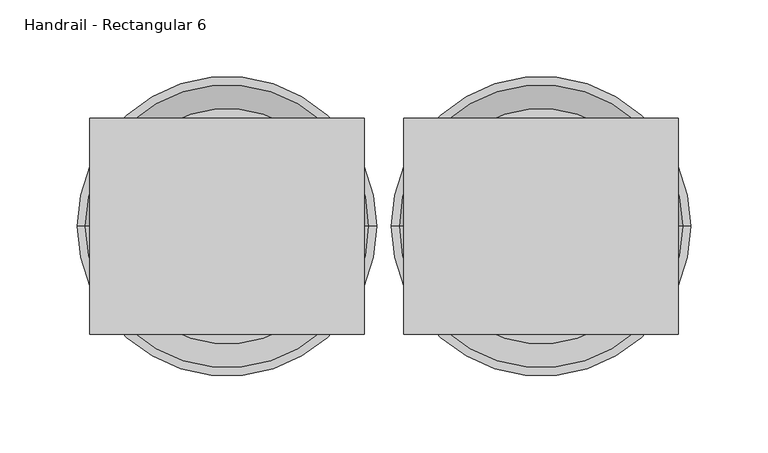
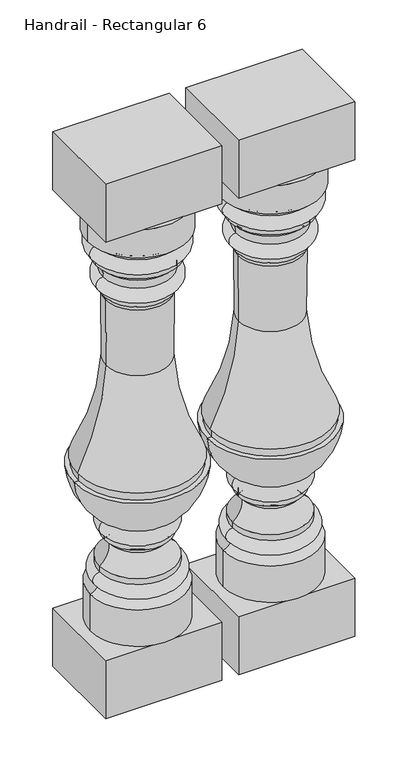
"""IFC4 building model written with IfcOpenShell, lengths in millimetres: railing geometry, Handrail - Rectangular 6."""

from ifc_helpers import new_model, si_unit, point, frame, origin, place, context, project, spatial, polyline, circle_curve, ellipse_curve, trimmed, outline, extrude, source, transform, mapped, element, save
from ifc_brep_helpers import plane_surface, cylinder_surface, revolved_surface, advanced_brep


def handrail_rectangular_6_f232c432(model_context):
    return source(origin(), model_context, "Body", "SolidModel", [
        advanced_brep(
        [(14629.7566037, 2142.9239298, 881.0625), (14782.1566037, 2142.9239298, 881.0625), (14705.9566037, 2142.9239298, 881.0625), (14629.7566037, 2142.9239298, 835.3414358), (14782.1566037, 2142.9239298, 835.3414358), (14641.8856401, 2142.9239298, 824.1251909), (14770.0275673, 2142.9239298, 824.1251909), (14642.1308811, 2142.9239298, 801.0872354), (14769.7823263, 2142.9239298, 801.0872354), (14642.1308811, 2142.9239298, 792.9994382), (14769.7823263, 2142.9239298, 792.9994382), (14650.9594002, 2142.9239298, 784.421477), (14760.9538072, 2142.9239298, 784.421477), (14653.2956778, 2142.9239298, 770.116552), (14758.6175297, 2142.9239298, 770.116552), (14653.2956778, 2142.9239298, 748.0589375), (14758.6175297, 2142.9239298, 748.0589375), (14653.2956778, 2142.9239298, 739.775), (14758.6175297, 2142.9239298, 739.775), (14657.167985, 2142.9239298, 732.0548389), (14754.7452225, 2142.9239298, 732.0548389), (14657.9774609, 2142.9239298, 625.8760562), (14753.9357466, 2142.9239298, 625.8760562), (14614.4181635, 2142.9239298, 465.93125), (14797.495044, 2142.9239298, 465.93125), (14616.520044, 2142.9239298, 465.93125), (14795.3931635, 2142.9239298, 465.93125), (14616.520044, 2142.9239298, 453.23125), (14795.3931635, 2142.9239298, 453.23125), (14609.1191037, 2142.9239298, 453.23125), (14802.7941037, 2142.9239298, 453.23125), (14655.0451606, 2142.9239298, 375.8648455), (14756.8680469, 2142.9239298, 375.8648455), (14655.1865209, 2142.9239298, 352.5012686), (14756.7266866, 2142.9239298, 352.5012686), (14655.1865209, 2142.9239298, 345.021636), (14756.7266866, 2142.9239298, 345.021636), (14663.138561, 2142.9239298, 336.1395712), (14748.7746464, 2142.9239298, 336.1395712), (14648.1700276, 2142.9239298, 304.3511281), (14763.7431798, 2142.9239298, 304.3511281), (14648.1700276, 2142.9239298, 295.0015923), (14763.7431798, 2142.9239298, 295.0015923), (14645.8311821, 2142.9239298, 273.4976463), (14766.0820254, 2142.9239298, 273.4976463), (14633.7463208, 2142.9239298, 263.7041906), (14778.1668867, 2142.9239298, 263.7041906), (14633.7463208, 2142.9239298, 204.7875), (14778.1668867, 2142.9239298, 204.7875), (14705.9566037, 2142.9239298, 204.7875)],
        [
            (0, 1, circle_curve(frame((14705.9566037, 2142.9239298, 881.0625), z_axis=(0.0, 0.0, 1.0), x_axis=(1.0, 0.0, 0.0)), 76.2)),
            (1, 2),
            (2, 0),
            (1, 0, circle_curve(frame((14705.9566037, 2142.9239298, 881.0625), z_axis=(0.0, 0.0, 1.0), x_axis=(1.0, 0.0, 0.0)), 76.2)),
            (3, 4, circle_curve(frame((14705.9566037, 2142.9239298, 835.3414358), z_axis=(0.0, 0.0, 1.0), x_axis=(1.0, 0.0, 0.0)), 76.2)),
            (4, 1),
            (0, 3),
            (4, 3, circle_curve(frame((14705.9566037, 2142.9239298, 835.3414358), z_axis=(0.0, 0.0, 1.0), x_axis=(1.0, 0.0, 0.0)), 76.2)),
            (5, 6, circle_curve(frame((14705.9566037, 2142.9239298, 824.1251909), z_axis=(0.0, 0.0, 1.0), x_axis=(1.0, 0.0, 0.0)), 64.0709636)),
            (6, 4, circle_curve(frame((14782.1701178, 2142.9239298, 823.1606434), z_axis=(0.0, 1.0, 0.0), x_axis=(-1.0, 0.0, 0.0)), 12.1807998)),
            (3, 5, circle_curve(frame((14629.7430896, 2142.9239298, 823.1606434), z_axis=(0.0, 1.0, 0.0), x_axis=(1.0, 0.0, 0.0)), 12.1807998)),
            (6, 5, circle_curve(frame((14705.9566037, 2142.9239298, 824.1251909), z_axis=(0.0, 0.0, 1.0), x_axis=(1.0, 0.0, 0.0)), 64.0709636)),
            (7, 8, circle_curve(frame((14705.9566037, 2142.9239298, 801.0872354), z_axis=(0.0, 0.0, 1.0), x_axis=(1.0, 0.0, 0.0)), 63.8257226)),
            (8, 6, circle_curve(frame((14767.616234, 2142.9239298, 812.6305767), z_axis=(0.0, -1.0, 0.0), x_axis=(-1.0, 0.0, 0.0)), 11.7448152)),
            (5, 7, circle_curve(frame((14644.2969735, 2142.9239298, 812.6305767), z_axis=(0.0, -1.0, 0.0), x_axis=(1.0, 0.0, 0.0)), 11.7448152)),
            (8, 7, circle_curve(frame((14705.9566037, 2142.9239298, 801.0872354), z_axis=(0.0, 0.0, 1.0), x_axis=(1.0, 0.0, 0.0)), 63.8257226)),
            (9, 10, circle_curve(frame((14705.9566037, 2142.9239298, 792.9994382), z_axis=(0.0, 0.0, 1.0), x_axis=(1.0, 0.0, 0.0)), 63.8257226)),
            (10, 8),
            (7, 9),
            (10, 9, circle_curve(frame((14705.9566037, 2142.9239298, 792.9994382), z_axis=(0.0, 0.0, 1.0), x_axis=(1.0, 0.0, 0.0)), 63.8257226)),
            (11, 12, circle_curve(frame((14705.9566037, 2142.9239298, 784.421477), z_axis=(0.0, 0.0, 1.0), x_axis=(1.0, 0.0, 0.0)), 54.9972035)),
            (12, 10, circle_curve(frame((14774.1843357, 2142.9239298, 779.6366699), z_axis=(0.0, 1.0, 0.0), x_axis=(-1.0, 0.0, 0.0)), 14.06916)),
            (9, 11, circle_curve(frame((14637.7288718, 2142.9239298, 779.6366699), z_axis=(0.0, 1.0, 0.0), x_axis=(1.0, 0.0, 0.0)), 14.06916)),
            (12, 11, circle_curve(frame((14705.9566037, 2142.9239298, 784.421477), z_axis=(0.0, 0.0, 1.0), x_axis=(1.0, 0.0, 0.0)), 54.9972035)),
            (13, 14, circle_curve(frame((14705.9566037, 2142.9239298, 770.116552), z_axis=(0.0, 0.0, 1.0), x_axis=(1.0, 0.0, 0.0)), 52.660926)),
            (14, 12, circle_curve(frame((14787.5766622, 2142.9239298, 772.7301948), z_axis=(0.0, 1.0, 0.0), x_axis=(-1.0, 0.0, 0.0)), 29.0768376)),
            (11, 13, circle_curve(frame((14624.3365453, 2142.9239298, 772.7301948), z_axis=(0.0, 1.0, 0.0), x_axis=(1.0, 0.0, 0.0)), 29.0768376)),
            (14, 13, circle_curve(frame((14705.9566037, 2142.9239298, 770.116552), z_axis=(0.0, 0.0, 1.0), x_axis=(1.0, 0.0, 0.0)), 52.660926)),
            (15, 16, circle_curve(frame((14705.9566037, 2142.9239298, 748.0589375), z_axis=(0.0, 0.0, 1.0), x_axis=(1.0, 0.0, 0.0)), 52.660926)),
            (16, 14, circle_curve(frame((14758.1632965, 2142.9239298, 759.0877448), z_axis=(0.0, -1.0, 0.0), x_axis=(-1.0, 0.0, 0.0)), 11.0381573)),
            (13, 15, circle_curve(frame((14653.7499109, 2142.9239298, 759.0877448), z_axis=(0.0, -1.0, 0.0), x_axis=(1.0, 0.0, 0.0)), 11.0381573)),
            (16, 15, circle_curve(frame((14705.9566037, 2142.9239298, 748.0589375), z_axis=(0.0, 0.0, 1.0), x_axis=(1.0, 0.0, 0.0)), 52.660926)),
            (17, 18, circle_curve(frame((14705.9566037, 2142.9239298, 739.775), z_axis=(0.0, 0.0, 1.0), x_axis=(1.0, 0.0, 0.0)), 52.660926)),
            (18, 16),
            (15, 17),
            (18, 17, circle_curve(frame((14705.9566037, 2142.9239298, 739.775), z_axis=(0.0, 0.0, 1.0), x_axis=(1.0, 0.0, 0.0)), 52.660926)),
            (19, 20, circle_curve(frame((14705.9566037, 2142.9239298, 732.0548389), z_axis=(0.0, 0.0, 1.0), x_axis=(1.0, 0.0, 0.0)), 48.7886187)),
            (20, 18, circle_curve(frame((14765.9841732, 2142.9239298, 731.2487877), z_axis=(0.0, 1.0, 0.0), x_axis=(-1.0, 0.0, 0.0)), 11.2678184)),
            (17, 19, circle_curve(frame((14645.9290342, 2142.9239298, 731.2487877), z_axis=(0.0, 1.0, 0.0), x_axis=(1.0, 0.0, 0.0)), 11.2678184)),
            (20, 19, circle_curve(frame((14705.9566037, 2142.9239298, 732.0548389), z_axis=(0.0, 0.0, 1.0), x_axis=(1.0, 0.0, 0.0)), 48.7886187)),
            (21, 22, circle_curve(frame((14705.9566037, 2142.9239298, 625.8760562), z_axis=(0.0, 0.0, 1.0), x_axis=(1.0, 0.0, 0.0)), 47.9791428)),
            (22, 20, circle_curve(frame((15583.0762916, 2142.9239298, 672.6474087), z_axis=(0.0, 1.0, 0.0), x_axis=(-1.0, 0.0, 0.0)), 830.4586702)),
            (19, 21, circle_curve(frame((13828.8369158, 2142.9239298, 672.6474087), z_axis=(0.0, 1.0, 0.0), x_axis=(1.0, 0.0, 0.0)), 830.4586702)),
            (22, 21, circle_curve(frame((14705.9566037, 2142.9239298, 625.8760562), z_axis=(0.0, 0.0, 1.0), x_axis=(1.0, 0.0, 0.0)), 47.9791428)),
            (23, 24, circle_curve(frame((14705.9566037, 2142.9239298, 465.93125), z_axis=(0.0, 0.0, 1.0), x_axis=(1.0, 0.0, 0.0)), 91.5384403)),
            (24, 22, circle_curve(frame((15151.7675269, 2142.9239298, 648.3175235), z_axis=(0.0, 1.0, 0.0), x_axis=(-1.0, 0.0, 0.0)), 398.4642329)),
            (21, 23, circle_curve(frame((14260.1456805, 2142.9239298, 648.3175235), z_axis=(0.0, 1.0, 0.0), x_axis=(1.0, 0.0, 0.0)), 398.4642329)),
            (24, 23, circle_curve(frame((14705.9566037, 2142.9239298, 465.93125), z_axis=(0.0, 0.0, 1.0), x_axis=(1.0, 0.0, 0.0)), 91.5384403)),
            (25, 26, circle_curve(frame((14705.9566037, 2142.9239298, 465.93125), z_axis=(0.0, 0.0, 1.0), x_axis=(1.0, 0.0, 0.0)), 89.4365597)),
            (26, 24),
            (23, 25),
            (26, 25, circle_curve(frame((14705.9566037, 2142.9239298, 465.93125), z_axis=(0.0, 0.0, 1.0), x_axis=(1.0, 0.0, 0.0)), 89.4365597)),
            (27, 28, circle_curve(frame((14705.9566037, 2142.9239298, 453.23125), z_axis=(0.0, 0.0, 1.0), x_axis=(1.0, 0.0, 0.0)), 89.4365597)),
            (28, 26),
            (25, 27),
            (28, 27, circle_curve(frame((14705.9566037, 2142.9239298, 453.23125), z_axis=(0.0, 0.0, 1.0), x_axis=(1.0, 0.0, 0.0)), 89.4365597)),
            (29, 30, circle_curve(frame((14705.9566037, 2142.9239298, 453.23125), z_axis=(0.0, 0.0, 1.0), x_axis=(1.0, 0.0, 0.0)), 96.8375)),
            (30, 28),
            (27, 29),
            (30, 29, circle_curve(frame((14705.9566037, 2142.9239298, 453.23125), z_axis=(0.0, 0.0, 1.0), x_axis=(1.0, 0.0, 0.0)), 96.8375)),
            (31, 32, circle_curve(frame((14705.9566037, 2142.9239298, 375.8648455), z_axis=(0.0, 0.0, 1.0), x_axis=(1.0, 0.0, 0.0)), 50.9114432)),
            (32, 30, circle_curve(frame((14698.3149183, 2142.9239298, 462.9374706), z_axis=(0.0, -1.0, 0.0), x_axis=(-1.0, 0.0, 0.0)), 104.9290756)),
            (29, 31, circle_curve(frame((14713.5982891, 2142.9239298, 462.9374706), z_axis=(0.0, -1.0, 0.0), x_axis=(1.0, 0.0, 0.0)), 104.9290756)),
            (32, 31, circle_curve(frame((14705.9566037, 2142.9239298, 375.8648455), z_axis=(0.0, 0.0, 1.0), x_axis=(1.0, 0.0, 0.0)), 50.9114432)),
            (33, 34, circle_curve(frame((14705.9566037, 2142.9239298, 352.5012686), z_axis=(0.0, 0.0, 1.0), x_axis=(1.0, 0.0, 0.0)), 50.7700828)),
            (34, 32, circle_curve(frame((14751.4946929, 2142.9239298, 364.2151406), z_axis=(0.0, -1.0, 0.0), x_axis=(-1.0, 0.0, 0.0)), 12.8292072)),
            (31, 33, circle_curve(frame((14660.4185146, 2142.9239298, 364.2151406), z_axis=(0.0, -1.0, 0.0), x_axis=(1.0, 0.0, 0.0)), 12.8292072)),
            (34, 33, circle_curve(frame((14705.9566037, 2142.9239298, 352.5012686), z_axis=(0.0, 0.0, 1.0), x_axis=(1.0, 0.0, 0.0)), 50.7700828)),
            (35, 36, circle_curve(frame((14705.9566037, 2142.9239298, 345.021636), z_axis=(0.0, 0.0, 1.0), x_axis=(1.0, 0.0, 0.0)), 50.7700828)),
            (36, 34),
            (33, 35),
            (36, 35, circle_curve(frame((14705.9566037, 2142.9239298, 345.021636), z_axis=(0.0, 0.0, 1.0), x_axis=(1.0, 0.0, 0.0)), 50.7700828)),
            (37, 38, circle_curve(frame((14705.9566037, 2142.9239298, 336.1395712), z_axis=(0.0, 0.0, 1.0), x_axis=(1.0, 0.0, 0.0)), 42.8180427)),
            (38, 36, circle_curve(frame((14758.6720246, 2142.9239298, 335.27926), z_axis=(0.0, 1.0, 0.0), x_axis=(-1.0, 0.0, 0.0)), 9.9346983)),
            (35, 37, circle_curve(frame((14653.2411828, 2142.9239298, 335.27926), z_axis=(0.0, 1.0, 0.0), x_axis=(1.0, 0.0, 0.0)), 9.9346983)),
            (38, 37, circle_curve(frame((14705.9566037, 2142.9239298, 336.1395712), z_axis=(0.0, 0.0, 1.0), x_axis=(1.0, 0.0, 0.0)), 42.8180427)),
            (39, 40, circle_curve(frame((14705.9566037, 2142.9239298, 304.3511281), z_axis=(0.0, 0.0, 1.0), x_axis=(1.0, 0.0, 0.0)), 57.7865761)),
            (40, 38, circle_curve(frame((14783.5869651, 2142.9239298, 333.1135753), z_axis=(0.0, 1.0, 0.0), x_axis=(-1.0, 0.0, 0.0)), 34.9435857)),
            (37, 39, circle_curve(frame((14628.3262423, 2142.9239298, 333.1135753), z_axis=(0.0, 1.0, 0.0), x_axis=(1.0, 0.0, 0.0)), 34.9435857)),
            (40, 39, circle_curve(frame((14705.9566037, 2142.9239298, 304.3511281), z_axis=(0.0, 0.0, 1.0), x_axis=(1.0, 0.0, 0.0)), 57.7865761)),
            (41, 42, circle_curve(frame((14705.9566037, 2142.9239298, 295.0015923), z_axis=(0.0, 0.0, 1.0), x_axis=(1.0, 0.0, 0.0)), 57.7865761)),
            (42, 40),
            (39, 41),
            (42, 41, circle_curve(frame((14705.9566037, 2142.9239298, 295.0015923), z_axis=(0.0, 0.0, 1.0), x_axis=(1.0, 0.0, 0.0)), 57.7865761)),
            (43, 44, circle_curve(frame((14705.9566037, 2142.9239298, 273.4976463), z_axis=(0.0, 0.0, 1.0), x_axis=(1.0, 0.0, 0.0)), 60.1254216)),
            (44, 42, circle_curve(frame((14763.1291969, 2142.9239298, 284.0556497), z_axis=(0.0, -1.0, 0.0), x_axis=(-1.0, 0.0, 0.0)), 10.9631488)),
            (41, 43, circle_curve(frame((14648.7840105, 2142.9239298, 284.0556497), z_axis=(0.0, -1.0, 0.0), x_axis=(1.0, 0.0, 0.0)), 10.9631488)),
            (44, 43, circle_curve(frame((14705.9566037, 2142.9239298, 273.4976463), z_axis=(0.0, 0.0, 1.0), x_axis=(1.0, 0.0, 0.0)), 60.1254216)),
            (45, 46, circle_curve(frame((14705.9566037, 2142.9239298, 263.7041906), z_axis=(0.0, 0.0, 1.0), x_axis=(1.0, 0.0, 0.0)), 72.210283)),
            (46, 44, circle_curve(frame((14784.2977895, 2142.9239298, 283.622485), z_axis=(0.0, 1.0, 0.0), x_axis=(-1.0, 0.0, 0.0)), 20.8404996)),
            (43, 45, circle_curve(frame((14627.6154179, 2142.9239298, 283.622485), z_axis=(0.0, 1.0, 0.0), x_axis=(1.0, 0.0, 0.0)), 20.8404996)),
            (46, 45, circle_curve(frame((14705.9566037, 2142.9239298, 263.7041906), z_axis=(0.0, 0.0, 1.0), x_axis=(1.0, 0.0, 0.0)), 72.210283)),
            (47, 48, circle_curve(frame((14705.9566037, 2142.9239298, 204.7875), z_axis=(0.0, 0.0, 1.0), x_axis=(1.0, 0.0, 0.0)), 72.210283)),
            (48, 46),
            (45, 47),
            (48, 47, circle_curve(frame((14705.9566037, 2142.9239298, 204.7875), z_axis=(0.0, 0.0, 1.0), x_axis=(1.0, 0.0, 0.0)), 72.210283)),
            (49, 48),
            (47, 49),
        ],
        [
            plane_surface(frame((14705.9566037, 2142.9239298, 881.0625), z_axis=(0.0, 0.0, 1.0), x_axis=(1.0, 0.0, 0.0))),
            cylinder_surface(frame((14705.9566037, 2142.9239298, 833.4375), z_axis=(0.0, 0.0, -1.0), x_axis=(1.0, 0.0, 0.0)), 76.2),
            revolved_surface(trimmed(ellipse_curve(frame((14782.1701178, 2142.9239298, 823.1606434), z_axis=(0.0, -1.0, 0.0), x_axis=(-1.0, 0.0, 0.0)), 12.1807998, 12.1807998), [point((14782.1566037, 2142.9239298, 835.3414358))], [point((14770.0275673, 2142.9239298, 824.1251909))], True, "CARTESIAN"), (14705.9566037, 2142.9239298, 833.4375), (0.0, 0.0, -1.0)),
            revolved_surface(trimmed(ellipse_curve(frame((14767.616234, 2142.9239298, 812.6305767), z_axis=(0.0, 1.0, 0.0), x_axis=(-1.0, 0.0, 0.0)), 11.7448152, 11.7448152), [point((14770.0275673, 2142.9239298, 824.1251909))], [point((14769.7823263, 2142.9239298, 801.0872354))], True, "CARTESIAN"), (14705.9566037, 2142.9239298, 833.4375), (0.0, 0.0, -1.0)),
            cylinder_surface(frame((14705.9566037, 2142.9239298, 833.4375), z_axis=(0.0, 0.0, -1.0), x_axis=(1.0, 0.0, 0.0)), 63.8257226),
            revolved_surface(trimmed(ellipse_curve(frame((14774.1843357, 2142.9239298, 779.6366699), z_axis=(0.0, -1.0, 0.0), x_axis=(-1.0, 0.0, 0.0)), 14.06916, 14.06916), [point((14769.7823263, 2142.9239298, 792.9994382))], [point((14760.9538072, 2142.9239298, 784.421477))], True, "CARTESIAN"), (14705.9566037, 2142.9239298, 833.4375), (0.0, 0.0, -1.0)),
            revolved_surface(trimmed(ellipse_curve(frame((14787.5766622, 2142.9239298, 772.7301948), z_axis=(0.0, -1.0, 0.0), x_axis=(-1.0, 0.0, 0.0)), 29.0768376, 29.0768376), [point((14760.9538072, 2142.9239298, 784.421477))], [point((14758.6175297, 2142.9239298, 770.116552))], True, "CARTESIAN"), (14705.9566037, 2142.9239298, 833.4375), (0.0, 0.0, -1.0)),
            revolved_surface(trimmed(ellipse_curve(frame((14758.1632965, 2142.9239298, 759.0877448), z_axis=(0.0, 1.0, 0.0), x_axis=(-1.0, 0.0, 0.0)), 11.0381573, 11.0381573), [point((14758.6175297, 2142.9239298, 770.116552))], [point((14758.6175297, 2142.9239298, 748.0589375))], True, "CARTESIAN"), (14705.9566037, 2142.9239298, 833.4375), (0.0, 0.0, -1.0)),
            cylinder_surface(frame((14705.9566037, 2142.9239298, 833.4375), z_axis=(0.0, 0.0, -1.0), x_axis=(1.0, 0.0, 0.0)), 52.660926),
            revolved_surface(trimmed(ellipse_curve(frame((14765.9841732, 2142.9239298, 731.2487877), z_axis=(0.0, -1.0, 0.0), x_axis=(-1.0, 0.0, 0.0)), 11.2678184, 11.2678184), [point((14758.6175297, 2142.9239298, 739.775))], [point((14754.7452225, 2142.9239298, 732.0548389))], True, "CARTESIAN"), (14705.9566037, 2142.9239298, 833.4375), (0.0, 0.0, -1.0)),
            revolved_surface(trimmed(ellipse_curve(frame((15583.0762916, 2142.9239298, 672.6474087), z_axis=(0.0, -1.0, 0.0), x_axis=(-1.0, 0.0, 0.0)), 830.4586702, 830.4586702), [point((14754.7452225, 2142.9239298, 732.0548389))], [point((14753.9357466, 2142.9239298, 625.8760562))], True, "CARTESIAN"), (14705.9566037, 2142.9239298, 833.4375), (0.0, 0.0, -1.0)),
            revolved_surface(trimmed(ellipse_curve(frame((15151.7675269, 2142.9239298, 648.3175235), z_axis=(0.0, -1.0, 0.0), x_axis=(-1.0, 0.0, 0.0)), 398.4642329, 398.4642329), [point((14753.9357466, 2142.9239298, 625.8760562))], [point((14797.495044, 2142.9239298, 465.93125))], True, "CARTESIAN"), (14705.9566037, 2142.9239298, 833.4375), (0.0, 0.0, -1.0)),
            plane_surface(frame((14705.9566037, 2142.9239298, 465.93125), z_axis=(0.0, 0.0, -1.0), x_axis=(1.0, 0.0, 0.0))),
            cylinder_surface(frame((14705.9566037, 2142.9239298, 833.4375), z_axis=(0.0, 0.0, -1.0), x_axis=(1.0, 0.0, 0.0)), 89.4365597),
            plane_surface(frame((14705.9566037, 2142.9239298, 453.23125), z_axis=(0.0, 0.0, 1.0), x_axis=(1.0, 0.0, 0.0))),
            revolved_surface(trimmed(ellipse_curve(frame((14698.3149183, 2142.9239298, 462.9374706), z_axis=(0.0, 1.0, 0.0), x_axis=(-1.0, 0.0, 0.0)), 104.9290756, 104.9290756), [point((14802.7941037, 2142.9239298, 453.23125))], [point((14756.8680469, 2142.9239298, 375.8648455))], True, "CARTESIAN"), (14705.9566037, 2142.9239298, 833.4375), (0.0, 0.0, -1.0)),
            revolved_surface(trimmed(ellipse_curve(frame((14751.4946929, 2142.9239298, 364.2151406), z_axis=(0.0, 1.0, 0.0), x_axis=(-1.0, 0.0, 0.0)), 12.8292072, 12.8292072), [point((14756.8680469, 2142.9239298, 375.8648455))], [point((14756.7266866, 2142.9239298, 352.5012686))], True, "CARTESIAN"), (14705.9566037, 2142.9239298, 833.4375), (0.0, 0.0, -1.0)),
            cylinder_surface(frame((14705.9566037, 2142.9239298, 833.4375), z_axis=(0.0, 0.0, -1.0), x_axis=(1.0, 0.0, 0.0)), 50.7700828),
            revolved_surface(trimmed(ellipse_curve(frame((14758.6720246, 2142.9239298, 335.27926), z_axis=(0.0, -1.0, 0.0), x_axis=(-1.0, 0.0, 0.0)), 9.9346983, 9.9346983), [point((14756.7266866, 2142.9239298, 345.021636))], [point((14748.7746464, 2142.9239298, 336.1395712))], True, "CARTESIAN"), (14705.9566037, 2142.9239298, 833.4375), (0.0, 0.0, -1.0)),
            revolved_surface(trimmed(ellipse_curve(frame((14783.5869651, 2142.9239298, 333.1135753), z_axis=(0.0, -1.0, 0.0), x_axis=(-1.0, 0.0, 0.0)), 34.9435857, 34.9435857), [point((14748.7746464, 2142.9239298, 336.1395712))], [point((14763.7431798, 2142.9239298, 304.3511281))], True, "CARTESIAN"), (14705.9566037, 2142.9239298, 833.4375), (0.0, 0.0, -1.0)),
            cylinder_surface(frame((14705.9566037, 2142.9239298, 833.4375), z_axis=(0.0, 0.0, -1.0), x_axis=(1.0, 0.0, 0.0)), 57.7865761),
            revolved_surface(trimmed(ellipse_curve(frame((14763.1291969, 2142.9239298, 284.0556497), z_axis=(0.0, 1.0, 0.0), x_axis=(-1.0, 0.0, 0.0)), 10.9631488, 10.9631488), [point((14763.7431798, 2142.9239298, 295.0015923))], [point((14766.0820254, 2142.9239298, 273.4976463))], True, "CARTESIAN"), (14705.9566037, 2142.9239298, 833.4375), (0.0, 0.0, -1.0)),
            revolved_surface(trimmed(ellipse_curve(frame((14784.2977895, 2142.9239298, 283.622485), z_axis=(0.0, -1.0, 0.0), x_axis=(-1.0, 0.0, 0.0)), 20.8404996, 20.8404996), [point((14766.0820254, 2142.9239298, 273.4976463))], [point((14778.1668867, 2142.9239298, 263.7041906))], True, "CARTESIAN"), (14705.9566037, 2142.9239298, 833.4375), (0.0, 0.0, -1.0)),
            cylinder_surface(frame((14705.9566037, 2142.9239298, 833.4375), z_axis=(0.0, 0.0, -1.0), x_axis=(1.0, 0.0, 0.0)), 72.210283),
            plane_surface(frame((14705.9566037, 2142.9239298, 204.7875), z_axis=(0.0, 0.0, -1.0), x_axis=(1.0, 0.0, 0.0))),
        ],
        [
            (0, [[1, 2, 3]]),
            (0, [[4, -3, -2]]),
            (1, [[5, 6, -1, 7]]),
            (1, [[8, -7, -4, -6]]),
            (2, [[9, 10, -5, 11]]),
            (2, [[12, -11, -8, -10]]),
            (3, [[13, 14, -9, 15]]),
            (3, [[16, -15, -12, -14]]),
            (4, [[17, 18, -13, 19]]),
            (4, [[20, -19, -16, -18]]),
            (5, [[21, 22, -17, 23]]),
            (5, [[24, -23, -20, -22]]),
            (6, [[25, 26, -21, 27]]),
            (6, [[28, -27, -24, -26]]),
            (7, [[29, 30, -25, 31]]),
            (7, [[32, -31, -28, -30]]),
            (8, [[33, 34, -29, 35]]),
            (8, [[36, -35, -32, -34]]),
            (9, [[37, 38, -33, 39]]),
            (9, [[40, -39, -36, -38]]),
            (10, [[41, 42, -37, 43]]),
            (10, [[44, -43, -40, -42]]),
            (11, [[45, 46, -41, 47]]),
            (11, [[48, -47, -44, -46]]),
            (12, [[49, 50, -45, 51]]),
            (12, [[52, -51, -48, -50]]),
            (13, [[53, 54, -49, 55]]),
            (13, [[56, -55, -52, -54]]),
            (14, [[57, 58, -53, 59]]),
            (14, [[60, -59, -56, -58]]),
            (15, [[61, 62, -57, 63]]),
            (15, [[64, -63, -60, -62]]),
            (16, [[65, 66, -61, 67]]),
            (16, [[68, -67, -64, -66]]),
            (17, [[69, 70, -65, 71]]),
            (17, [[72, -71, -68, -70]]),
            (18, [[73, 74, -69, 75]]),
            (18, [[76, -75, -72, -74]]),
            (19, [[77, 78, -73, 79]]),
            (19, [[80, -79, -76, -78]]),
            (20, [[81, 82, -77, 83]]),
            (20, [[84, -83, -80, -82]]),
            (21, [[85, 86, -81, 87]]),
            (21, [[88, -87, -84, -86]]),
            (22, [[89, 90, -85, 91]]),
            (22, [[92, -91, -88, -90]]),
            (23, [[93, 94, -89, 95]]),
            (23, [[96, -95, -92, -94]]),
            (24, [[97, -93, 98]]),
            (24, [[-98, -96, -97]]),
        ],
    ),
        extrude(outline(polyline([(14617.0566037, 2073.0739298), (14617.0566037, 2212.7739298), (14794.8566037, 2212.7739298), (14794.8566037, 2073.0739298), (14617.0566037, 2073.0739298)])), frame((0.0, 0.0, 111.125), z_axis=(0.0, 0.0, 1.0), x_axis=(1.0, 0.0, 0.0)), (0.0, 0.0, 1.0), 93.6625),
        extrude(outline(polyline([(14617.0566037, 2212.7739298), (14794.8566037, 2212.7739298), (14794.8566037, 2073.0739298), (14617.0566037, 2073.0739298), (14617.0566037, 2212.7739298)])), frame((0.0, 0.0, 881.0625), z_axis=(0.0, 0.0, 1.0), x_axis=(1.0, 0.0, 0.0)), (0.0, 0.0, 1.0), 93.6625),
        advanced_brep(
        [(14426.5566037, 2142.9239298, 881.0625), (14578.9566037, 2142.9239298, 881.0625), (14502.7566037, 2142.9239298, 881.0625), (14426.5566037, 2142.9239298, 835.3414358), (14578.9566037, 2142.9239298, 835.3414358), (14438.6856401, 2142.9239298, 824.1251909), (14566.8275673, 2142.9239298, 824.1251909), (14438.9308811, 2142.9239298, 801.0872354), (14566.5823263, 2142.9239298, 801.0872354), (14438.9308811, 2142.9239298, 792.9994382), (14566.5823263, 2142.9239298, 792.9994382), (14447.7594002, 2142.9239298, 784.421477), (14557.7538072, 2142.9239298, 784.421477), (14450.0956778, 2142.9239298, 770.116552), (14555.4175297, 2142.9239298, 770.116552), (14450.0956778, 2142.9239298, 748.0589375), (14555.4175297, 2142.9239298, 748.0589375), (14450.0956778, 2142.9239298, 739.775), (14555.4175297, 2142.9239298, 739.775), (14453.967985, 2142.9239298, 732.0548389), (14551.5452225, 2142.9239298, 732.0548389), (14454.7774609, 2142.9239298, 625.8760562), (14550.7357466, 2142.9239298, 625.8760562), (14411.2181635, 2142.9239298, 465.93125), (14594.295044, 2142.9239298, 465.93125), (14413.320044, 2142.9239298, 465.93125), (14592.1931635, 2142.9239298, 465.93125), (14413.320044, 2142.9239298, 453.23125), (14592.1931635, 2142.9239298, 453.23125), (14405.9191037, 2142.9239298, 453.23125), (14599.5941037, 2142.9239298, 453.23125), (14451.8451606, 2142.9239298, 375.8648455), (14553.6680469, 2142.9239298, 375.8648455), (14451.9865209, 2142.9239298, 352.5012686), (14553.5266866, 2142.9239298, 352.5012686), (14451.9865209, 2142.9239298, 345.021636), (14553.5266866, 2142.9239298, 345.021636), (14459.938561, 2142.9239298, 336.1395712), (14545.5746464, 2142.9239298, 336.1395712), (14444.9700276, 2142.9239298, 304.3511281), (14560.5431798, 2142.9239298, 304.3511281), (14444.9700276, 2142.9239298, 295.0015923), (14560.5431798, 2142.9239298, 295.0015923), (14442.6311821, 2142.9239298, 273.4976463), (14562.8820254, 2142.9239298, 273.4976463), (14430.5463208, 2142.9239298, 263.7041906), (14574.9668867, 2142.9239298, 263.7041906), (14430.5463208, 2142.9239298, 204.7875), (14574.9668867, 2142.9239298, 204.7875), (14502.7566037, 2142.9239298, 204.7875)],
        [
            (0, 1, circle_curve(frame((14502.7566037, 2142.9239298, 881.0625), z_axis=(0.0, 0.0, 1.0), x_axis=(1.0, 0.0, 0.0)), 76.2)),
            (1, 2),
            (2, 0),
            (1, 0, circle_curve(frame((14502.7566037, 2142.9239298, 881.0625), z_axis=(0.0, 0.0, 1.0), x_axis=(1.0, 0.0, 0.0)), 76.2)),
            (3, 4, circle_curve(frame((14502.7566037, 2142.9239298, 835.3414358), z_axis=(0.0, 0.0, 1.0), x_axis=(1.0, 0.0, 0.0)), 76.2)),
            (4, 1),
            (0, 3),
            (4, 3, circle_curve(frame((14502.7566037, 2142.9239298, 835.3414358), z_axis=(0.0, 0.0, 1.0), x_axis=(1.0, 0.0, 0.0)), 76.2)),
            (5, 6, circle_curve(frame((14502.7566037, 2142.9239298, 824.1251909), z_axis=(0.0, 0.0, 1.0), x_axis=(1.0, 0.0, 0.0)), 64.0709636)),
            (6, 4, circle_curve(frame((14578.9701178, 2142.9239298, 823.1606434), z_axis=(0.0, 1.0, 0.0), x_axis=(-1.0, 0.0, 0.0)), 12.1807998)),
            (3, 5, circle_curve(frame((14426.5430896, 2142.9239298, 823.1606434), z_axis=(0.0, 1.0, 0.0), x_axis=(1.0, 0.0, 0.0)), 12.1807998)),
            (6, 5, circle_curve(frame((14502.7566037, 2142.9239298, 824.1251909), z_axis=(0.0, 0.0, 1.0), x_axis=(1.0, 0.0, 0.0)), 64.0709636)),
            (7, 8, circle_curve(frame((14502.7566037, 2142.9239298, 801.0872354), z_axis=(0.0, 0.0, 1.0), x_axis=(1.0, 0.0, 0.0)), 63.8257226)),
            (8, 6, circle_curve(frame((14564.416234, 2142.9239298, 812.6305767), z_axis=(0.0, -1.0, 0.0), x_axis=(-1.0, 0.0, 0.0)), 11.7448152)),
            (5, 7, circle_curve(frame((14441.0969735, 2142.9239298, 812.6305767), z_axis=(0.0, -1.0, 0.0), x_axis=(1.0, 0.0, 0.0)), 11.7448152)),
            (8, 7, circle_curve(frame((14502.7566037, 2142.9239298, 801.0872354), z_axis=(0.0, 0.0, 1.0), x_axis=(1.0, 0.0, 0.0)), 63.8257226)),
            (9, 10, circle_curve(frame((14502.7566037, 2142.9239298, 792.9994382), z_axis=(0.0, 0.0, 1.0), x_axis=(1.0, 0.0, 0.0)), 63.8257226)),
            (10, 8),
            (7, 9),
            (10, 9, circle_curve(frame((14502.7566037, 2142.9239298, 792.9994382), z_axis=(0.0, 0.0, 1.0), x_axis=(1.0, 0.0, 0.0)), 63.8257226)),
            (11, 12, circle_curve(frame((14502.7566037, 2142.9239298, 784.421477), z_axis=(0.0, 0.0, 1.0), x_axis=(1.0, 0.0, 0.0)), 54.9972035)),
            (12, 10, circle_curve(frame((14570.9843357, 2142.9239298, 779.6366699), z_axis=(0.0, 1.0, 0.0), x_axis=(-1.0, 0.0, 0.0)), 14.06916)),
            (9, 11, circle_curve(frame((14434.5288718, 2142.9239298, 779.6366699), z_axis=(0.0, 1.0, 0.0), x_axis=(1.0, 0.0, 0.0)), 14.06916)),
            (12, 11, circle_curve(frame((14502.7566037, 2142.9239298, 784.421477), z_axis=(0.0, 0.0, 1.0), x_axis=(1.0, 0.0, 0.0)), 54.9972035)),
            (13, 14, circle_curve(frame((14502.7566037, 2142.9239298, 770.116552), z_axis=(0.0, 0.0, 1.0), x_axis=(1.0, 0.0, 0.0)), 52.660926)),
            (14, 12, circle_curve(frame((14584.3766622, 2142.9239298, 772.7301948), z_axis=(0.0, 1.0, 0.0), x_axis=(-1.0, 0.0, 0.0)), 29.0768376)),
            (11, 13, circle_curve(frame((14421.1365453, 2142.9239298, 772.7301948), z_axis=(0.0, 1.0, 0.0), x_axis=(1.0, 0.0, 0.0)), 29.0768376)),
            (14, 13, circle_curve(frame((14502.7566037, 2142.9239298, 770.116552), z_axis=(0.0, 0.0, 1.0), x_axis=(1.0, 0.0, 0.0)), 52.660926)),
            (15, 16, circle_curve(frame((14502.7566037, 2142.9239298, 748.0589375), z_axis=(0.0, 0.0, 1.0), x_axis=(1.0, 0.0, 0.0)), 52.660926)),
            (16, 14, circle_curve(frame((14554.9632965, 2142.9239298, 759.0877448), z_axis=(0.0, -1.0, 0.0), x_axis=(-1.0, 0.0, 0.0)), 11.0381573)),
            (13, 15, circle_curve(frame((14450.5499109, 2142.9239298, 759.0877448), z_axis=(0.0, -1.0, 0.0), x_axis=(1.0, 0.0, 0.0)), 11.0381573)),
            (16, 15, circle_curve(frame((14502.7566037, 2142.9239298, 748.0589375), z_axis=(0.0, 0.0, 1.0), x_axis=(1.0, 0.0, 0.0)), 52.660926)),
            (17, 18, circle_curve(frame((14502.7566037, 2142.9239298, 739.775), z_axis=(0.0, 0.0, 1.0), x_axis=(1.0, 0.0, 0.0)), 52.660926)),
            (18, 16),
            (15, 17),
            (18, 17, circle_curve(frame((14502.7566037, 2142.9239298, 739.775), z_axis=(0.0, 0.0, 1.0), x_axis=(1.0, 0.0, 0.0)), 52.660926)),
            (19, 20, circle_curve(frame((14502.7566037, 2142.9239298, 732.0548389), z_axis=(0.0, 0.0, 1.0), x_axis=(1.0, 0.0, 0.0)), 48.7886187)),
            (20, 18, circle_curve(frame((14562.7841732, 2142.9239298, 731.2487877), z_axis=(0.0, 1.0, 0.0), x_axis=(-1.0, 0.0, 0.0)), 11.2678184)),
            (17, 19, circle_curve(frame((14442.7290342, 2142.9239298, 731.2487877), z_axis=(0.0, 1.0, 0.0), x_axis=(1.0, 0.0, 0.0)), 11.2678184)),
            (20, 19, circle_curve(frame((14502.7566037, 2142.9239298, 732.0548389), z_axis=(0.0, 0.0, 1.0), x_axis=(1.0, 0.0, 0.0)), 48.7886187)),
            (21, 22, circle_curve(frame((14502.7566037, 2142.9239298, 625.8760562), z_axis=(0.0, 0.0, 1.0), x_axis=(1.0, 0.0, 0.0)), 47.9791428)),
            (22, 20, circle_curve(frame((15379.8762916, 2142.9239298, 672.6474087), z_axis=(0.0, 1.0, 0.0), x_axis=(-1.0, 0.0, 0.0)), 830.4586702)),
            (19, 21, circle_curve(frame((13625.6369158, 2142.9239298, 672.6474087), z_axis=(0.0, 1.0, 0.0), x_axis=(1.0, 0.0, 0.0)), 830.4586702)),
            (22, 21, circle_curve(frame((14502.7566037, 2142.9239298, 625.8760562), z_axis=(0.0, 0.0, 1.0), x_axis=(1.0, 0.0, 0.0)), 47.9791428)),
            (23, 24, circle_curve(frame((14502.7566037, 2142.9239298, 465.93125), z_axis=(0.0, 0.0, 1.0), x_axis=(1.0, 0.0, 0.0)), 91.5384403)),
            (24, 22, circle_curve(frame((14948.5675269, 2142.9239298, 648.3175235), z_axis=(0.0, 1.0, 0.0), x_axis=(-1.0, 0.0, 0.0)), 398.4642329)),
            (21, 23, circle_curve(frame((14056.9456805, 2142.9239298, 648.3175235), z_axis=(0.0, 1.0, 0.0), x_axis=(1.0, 0.0, 0.0)), 398.4642329)),
            (24, 23, circle_curve(frame((14502.7566037, 2142.9239298, 465.93125), z_axis=(0.0, 0.0, 1.0), x_axis=(1.0, 0.0, 0.0)), 91.5384403)),
            (25, 26, circle_curve(frame((14502.7566037, 2142.9239298, 465.93125), z_axis=(0.0, 0.0, 1.0), x_axis=(1.0, 0.0, 0.0)), 89.4365597)),
            (26, 24),
            (23, 25),
            (26, 25, circle_curve(frame((14502.7566037, 2142.9239298, 465.93125), z_axis=(0.0, 0.0, 1.0), x_axis=(1.0, 0.0, 0.0)), 89.4365597)),
            (27, 28, circle_curve(frame((14502.7566037, 2142.9239298, 453.23125), z_axis=(0.0, 0.0, 1.0), x_axis=(1.0, 0.0, 0.0)), 89.4365597)),
            (28, 26),
            (25, 27),
            (28, 27, circle_curve(frame((14502.7566037, 2142.9239298, 453.23125), z_axis=(0.0, 0.0, 1.0), x_axis=(1.0, 0.0, 0.0)), 89.4365597)),
            (29, 30, circle_curve(frame((14502.7566037, 2142.9239298, 453.23125), z_axis=(0.0, 0.0, 1.0), x_axis=(1.0, 0.0, 0.0)), 96.8375)),
            (30, 28),
            (27, 29),
            (30, 29, circle_curve(frame((14502.7566037, 2142.9239298, 453.23125), z_axis=(0.0, 0.0, 1.0), x_axis=(1.0, 0.0, 0.0)), 96.8375)),
            (31, 32, circle_curve(frame((14502.7566037, 2142.9239298, 375.8648455), z_axis=(0.0, 0.0, 1.0), x_axis=(1.0, 0.0, 0.0)), 50.9114432)),
            (32, 30, circle_curve(frame((14495.1149183, 2142.9239298, 462.9374706), z_axis=(0.0, -1.0, 0.0), x_axis=(-1.0, 0.0, 0.0)), 104.9290756)),
            (29, 31, circle_curve(frame((14510.3982891, 2142.9239298, 462.9374706), z_axis=(0.0, -1.0, 0.0), x_axis=(1.0, 0.0, 0.0)), 104.9290756)),
            (32, 31, circle_curve(frame((14502.7566037, 2142.9239298, 375.8648455), z_axis=(0.0, 0.0, 1.0), x_axis=(1.0, 0.0, 0.0)), 50.9114432)),
            (33, 34, circle_curve(frame((14502.7566037, 2142.9239298, 352.5012686), z_axis=(0.0, 0.0, 1.0), x_axis=(1.0, 0.0, 0.0)), 50.7700828)),
            (34, 32, circle_curve(frame((14548.2946929, 2142.9239298, 364.2151406), z_axis=(0.0, -1.0, 0.0), x_axis=(-1.0, 0.0, 0.0)), 12.8292072)),
            (31, 33, circle_curve(frame((14457.2185146, 2142.9239298, 364.2151406), z_axis=(0.0, -1.0, 0.0), x_axis=(1.0, 0.0, 0.0)), 12.8292072)),
            (34, 33, circle_curve(frame((14502.7566037, 2142.9239298, 352.5012686), z_axis=(0.0, 0.0, 1.0), x_axis=(1.0, 0.0, 0.0)), 50.7700828)),
            (35, 36, circle_curve(frame((14502.7566037, 2142.9239298, 345.021636), z_axis=(0.0, 0.0, 1.0), x_axis=(1.0, 0.0, 0.0)), 50.7700828)),
            (36, 34),
            (33, 35),
            (36, 35, circle_curve(frame((14502.7566037, 2142.9239298, 345.021636), z_axis=(0.0, 0.0, 1.0), x_axis=(1.0, 0.0, 0.0)), 50.7700828)),
            (37, 38, circle_curve(frame((14502.7566037, 2142.9239298, 336.1395712), z_axis=(0.0, 0.0, 1.0), x_axis=(1.0, 0.0, 0.0)), 42.8180427)),
            (38, 36, circle_curve(frame((14555.4720246, 2142.9239298, 335.27926), z_axis=(0.0, 1.0, 0.0), x_axis=(-1.0, 0.0, 0.0)), 9.9346983)),
            (35, 37, circle_curve(frame((14450.0411828, 2142.9239298, 335.27926), z_axis=(0.0, 1.0, 0.0), x_axis=(1.0, 0.0, 0.0)), 9.9346983)),
            (38, 37, circle_curve(frame((14502.7566037, 2142.9239298, 336.1395712), z_axis=(0.0, 0.0, 1.0), x_axis=(1.0, 0.0, 0.0)), 42.8180427)),
            (39, 40, circle_curve(frame((14502.7566037, 2142.9239298, 304.3511281), z_axis=(0.0, 0.0, 1.0), x_axis=(1.0, 0.0, 0.0)), 57.7865761)),
            (40, 38, circle_curve(frame((14580.3869651, 2142.9239298, 333.1135753), z_axis=(0.0, 1.0, 0.0), x_axis=(-1.0, 0.0, 0.0)), 34.9435857)),
            (37, 39, circle_curve(frame((14425.1262423, 2142.9239298, 333.1135753), z_axis=(0.0, 1.0, 0.0), x_axis=(1.0, 0.0, 0.0)), 34.9435857)),
            (40, 39, circle_curve(frame((14502.7566037, 2142.9239298, 304.3511281), z_axis=(0.0, 0.0, 1.0), x_axis=(1.0, 0.0, 0.0)), 57.7865761)),
            (41, 42, circle_curve(frame((14502.7566037, 2142.9239298, 295.0015923), z_axis=(0.0, 0.0, 1.0), x_axis=(1.0, 0.0, 0.0)), 57.7865761)),
            (42, 40),
            (39, 41),
            (42, 41, circle_curve(frame((14502.7566037, 2142.9239298, 295.0015923), z_axis=(0.0, 0.0, 1.0), x_axis=(1.0, 0.0, 0.0)), 57.7865761)),
            (43, 44, circle_curve(frame((14502.7566037, 2142.9239298, 273.4976463), z_axis=(0.0, 0.0, 1.0), x_axis=(1.0, 0.0, 0.0)), 60.1254216)),
            (44, 42, circle_curve(frame((14559.9291969, 2142.9239298, 284.0556497), z_axis=(0.0, -1.0, 0.0), x_axis=(-1.0, 0.0, 0.0)), 10.9631488)),
            (41, 43, circle_curve(frame((14445.5840105, 2142.9239298, 284.0556497), z_axis=(0.0, -1.0, 0.0), x_axis=(1.0, 0.0, 0.0)), 10.9631488)),
            (44, 43, circle_curve(frame((14502.7566037, 2142.9239298, 273.4976463), z_axis=(0.0, 0.0, 1.0), x_axis=(1.0, 0.0, 0.0)), 60.1254216)),
            (45, 46, circle_curve(frame((14502.7566037, 2142.9239298, 263.7041906), z_axis=(0.0, 0.0, 1.0), x_axis=(1.0, 0.0, 0.0)), 72.210283)),
            (46, 44, circle_curve(frame((14581.0977895, 2142.9239298, 283.622485), z_axis=(0.0, 1.0, 0.0), x_axis=(-1.0, 0.0, 0.0)), 20.8404996)),
            (43, 45, circle_curve(frame((14424.4154179, 2142.9239298, 283.622485), z_axis=(0.0, 1.0, 0.0), x_axis=(1.0, 0.0, 0.0)), 20.8404996)),
            (46, 45, circle_curve(frame((14502.7566037, 2142.9239298, 263.7041906), z_axis=(0.0, 0.0, 1.0), x_axis=(1.0, 0.0, 0.0)), 72.210283)),
            (47, 48, circle_curve(frame((14502.7566037, 2142.9239298, 204.7875), z_axis=(0.0, 0.0, 1.0), x_axis=(1.0, 0.0, 0.0)), 72.210283)),
            (48, 46),
            (45, 47),
            (48, 47, circle_curve(frame((14502.7566037, 2142.9239298, 204.7875), z_axis=(0.0, 0.0, 1.0), x_axis=(1.0, 0.0, 0.0)), 72.210283)),
            (49, 48),
            (47, 49),
        ],
        [
            plane_surface(frame((14502.7566037, 2142.9239298, 881.0625), z_axis=(0.0, 0.0, 1.0), x_axis=(1.0, 0.0, 0.0))),
            cylinder_surface(frame((14502.7566037, 2142.9239298, 833.4375), z_axis=(0.0, 0.0, -1.0), x_axis=(1.0, 0.0, 0.0)), 76.2),
            revolved_surface(trimmed(ellipse_curve(frame((14578.9701178, 2142.9239298, 823.1606434), z_axis=(0.0, -1.0, 0.0), x_axis=(-1.0, 0.0, 0.0)), 12.1807998, 12.1807998), [point((14578.9566037, 2142.9239298, 835.3414358))], [point((14566.8275673, 2142.9239298, 824.1251909))], True, "CARTESIAN"), (14502.7566037, 2142.9239298, 833.4375), (0.0, 0.0, -1.0)),
            revolved_surface(trimmed(ellipse_curve(frame((14564.416234, 2142.9239298, 812.6305767), z_axis=(0.0, 1.0, 0.0), x_axis=(-1.0, 0.0, 0.0)), 11.7448152, 11.7448152), [point((14566.8275673, 2142.9239298, 824.1251909))], [point((14566.5823263, 2142.9239298, 801.0872354))], True, "CARTESIAN"), (14502.7566037, 2142.9239298, 833.4375), (0.0, 0.0, -1.0)),
            cylinder_surface(frame((14502.7566037, 2142.9239298, 833.4375), z_axis=(0.0, 0.0, -1.0), x_axis=(1.0, 0.0, 0.0)), 63.8257226),
            revolved_surface(trimmed(ellipse_curve(frame((14570.9843357, 2142.9239298, 779.6366699), z_axis=(0.0, -1.0, 0.0), x_axis=(-1.0, 0.0, 0.0)), 14.06916, 14.06916), [point((14566.5823263, 2142.9239298, 792.9994382))], [point((14557.7538072, 2142.9239298, 784.421477))], True, "CARTESIAN"), (14502.7566037, 2142.9239298, 833.4375), (0.0, 0.0, -1.0)),
            revolved_surface(trimmed(ellipse_curve(frame((14584.3766622, 2142.9239298, 772.7301948), z_axis=(0.0, -1.0, 0.0), x_axis=(-1.0, 0.0, 0.0)), 29.0768376, 29.0768376), [point((14557.7538072, 2142.9239298, 784.421477))], [point((14555.4175297, 2142.9239298, 770.116552))], True, "CARTESIAN"), (14502.7566037, 2142.9239298, 833.4375), (0.0, 0.0, -1.0)),
            revolved_surface(trimmed(ellipse_curve(frame((14554.9632965, 2142.9239298, 759.0877448), z_axis=(0.0, 1.0, 0.0), x_axis=(-1.0, 0.0, 0.0)), 11.0381573, 11.0381573), [point((14555.4175297, 2142.9239298, 770.116552))], [point((14555.4175297, 2142.9239298, 748.0589375))], True, "CARTESIAN"), (14502.7566037, 2142.9239298, 833.4375), (0.0, 0.0, -1.0)),
            cylinder_surface(frame((14502.7566037, 2142.9239298, 833.4375), z_axis=(0.0, 0.0, -1.0), x_axis=(1.0, 0.0, 0.0)), 52.660926),
            revolved_surface(trimmed(ellipse_curve(frame((14562.7841732, 2142.9239298, 731.2487877), z_axis=(0.0, -1.0, 0.0), x_axis=(-1.0, 0.0, 0.0)), 11.2678184, 11.2678184), [point((14555.4175297, 2142.9239298, 739.775))], [point((14551.5452225, 2142.9239298, 732.0548389))], True, "CARTESIAN"), (14502.7566037, 2142.9239298, 833.4375), (0.0, 0.0, -1.0)),
            revolved_surface(trimmed(ellipse_curve(frame((15379.8762916, 2142.9239298, 672.6474087), z_axis=(0.0, -1.0, 0.0), x_axis=(-1.0, 0.0, 0.0)), 830.4586702, 830.4586702), [point((14551.5452225, 2142.9239298, 732.0548389))], [point((14550.7357466, 2142.9239298, 625.8760562))], True, "CARTESIAN"), (14502.7566037, 2142.9239298, 833.4375), (0.0, 0.0, -1.0)),
            revolved_surface(trimmed(ellipse_curve(frame((14948.5675269, 2142.9239298, 648.3175235), z_axis=(0.0, -1.0, 0.0), x_axis=(-1.0, 0.0, 0.0)), 398.4642329, 398.4642329), [point((14550.7357466, 2142.9239298, 625.8760562))], [point((14594.295044, 2142.9239298, 465.93125))], True, "CARTESIAN"), (14502.7566037, 2142.9239298, 833.4375), (0.0, 0.0, -1.0)),
            plane_surface(frame((14502.7566037, 2142.9239298, 465.93125), z_axis=(0.0, 0.0, -1.0), x_axis=(1.0, 0.0, 0.0))),
            cylinder_surface(frame((14502.7566037, 2142.9239298, 833.4375), z_axis=(0.0, 0.0, -1.0), x_axis=(1.0, 0.0, 0.0)), 89.4365597),
            plane_surface(frame((14502.7566037, 2142.9239298, 453.23125), z_axis=(0.0, 0.0, 1.0), x_axis=(1.0, 0.0, 0.0))),
            revolved_surface(trimmed(ellipse_curve(frame((14495.1149183, 2142.9239298, 462.9374706), z_axis=(0.0, 1.0, 0.0), x_axis=(-1.0, 0.0, 0.0)), 104.9290756, 104.9290756), [point((14599.5941037, 2142.9239298, 453.23125))], [point((14553.6680469, 2142.9239298, 375.8648455))], True, "CARTESIAN"), (14502.7566037, 2142.9239298, 833.4375), (0.0, 0.0, -1.0)),
            revolved_surface(trimmed(ellipse_curve(frame((14548.2946929, 2142.9239298, 364.2151406), z_axis=(0.0, 1.0, 0.0), x_axis=(-1.0, 0.0, 0.0)), 12.8292072, 12.8292072), [point((14553.6680469, 2142.9239298, 375.8648455))], [point((14553.5266866, 2142.9239298, 352.5012686))], True, "CARTESIAN"), (14502.7566037, 2142.9239298, 833.4375), (0.0, 0.0, -1.0)),
            cylinder_surface(frame((14502.7566037, 2142.9239298, 833.4375), z_axis=(0.0, 0.0, -1.0), x_axis=(1.0, 0.0, 0.0)), 50.7700828),
            revolved_surface(trimmed(ellipse_curve(frame((14555.4720246, 2142.9239298, 335.27926), z_axis=(0.0, -1.0, 0.0), x_axis=(-1.0, 0.0, 0.0)), 9.9346983, 9.9346983), [point((14553.5266866, 2142.9239298, 345.021636))], [point((14545.5746464, 2142.9239298, 336.1395712))], True, "CARTESIAN"), (14502.7566037, 2142.9239298, 833.4375), (0.0, 0.0, -1.0)),
            revolved_surface(trimmed(ellipse_curve(frame((14580.3869651, 2142.9239298, 333.1135753), z_axis=(0.0, -1.0, 0.0), x_axis=(-1.0, 0.0, 0.0)), 34.9435857, 34.9435857), [point((14545.5746464, 2142.9239298, 336.1395712))], [point((14560.5431798, 2142.9239298, 304.3511281))], True, "CARTESIAN"), (14502.7566037, 2142.9239298, 833.4375), (0.0, 0.0, -1.0)),
            cylinder_surface(frame((14502.7566037, 2142.9239298, 833.4375), z_axis=(0.0, 0.0, -1.0), x_axis=(1.0, 0.0, 0.0)), 57.7865761),
            revolved_surface(trimmed(ellipse_curve(frame((14559.9291969, 2142.9239298, 284.0556497), z_axis=(0.0, 1.0, 0.0), x_axis=(-1.0, 0.0, 0.0)), 10.9631488, 10.9631488), [point((14560.5431798, 2142.9239298, 295.0015923))], [point((14562.8820254, 2142.9239298, 273.4976463))], True, "CARTESIAN"), (14502.7566037, 2142.9239298, 833.4375), (0.0, 0.0, -1.0)),
            revolved_surface(trimmed(ellipse_curve(frame((14581.0977895, 2142.9239298, 283.622485), z_axis=(0.0, -1.0, 0.0), x_axis=(-1.0, 0.0, 0.0)), 20.8404996, 20.8404996), [point((14562.8820254, 2142.9239298, 273.4976463))], [point((14574.9668867, 2142.9239298, 263.7041906))], True, "CARTESIAN"), (14502.7566037, 2142.9239298, 833.4375), (0.0, 0.0, -1.0)),
            cylinder_surface(frame((14502.7566037, 2142.9239298, 833.4375), z_axis=(0.0, 0.0, -1.0), x_axis=(1.0, 0.0, 0.0)), 72.210283),
            plane_surface(frame((14502.7566037, 2142.9239298, 204.7875), z_axis=(0.0, 0.0, -1.0), x_axis=(1.0, 0.0, 0.0))),
        ],
        [
            (0, [[1, 2, 3]]),
            (0, [[4, -3, -2]]),
            (1, [[5, 6, -1, 7]]),
            (1, [[8, -7, -4, -6]]),
            (2, [[9, 10, -5, 11]]),
            (2, [[12, -11, -8, -10]]),
            (3, [[13, 14, -9, 15]]),
            (3, [[16, -15, -12, -14]]),
            (4, [[17, 18, -13, 19]]),
            (4, [[20, -19, -16, -18]]),
            (5, [[21, 22, -17, 23]]),
            (5, [[24, -23, -20, -22]]),
            (6, [[25, 26, -21, 27]]),
            (6, [[28, -27, -24, -26]]),
            (7, [[29, 30, -25, 31]]),
            (7, [[32, -31, -28, -30]]),
            (8, [[33, 34, -29, 35]]),
            (8, [[36, -35, -32, -34]]),
            (9, [[37, 38, -33, 39]]),
            (9, [[40, -39, -36, -38]]),
            (10, [[41, 42, -37, 43]]),
            (10, [[44, -43, -40, -42]]),
            (11, [[45, 46, -41, 47]]),
            (11, [[48, -47, -44, -46]]),
            (12, [[49, 50, -45, 51]]),
            (12, [[52, -51, -48, -50]]),
            (13, [[53, 54, -49, 55]]),
            (13, [[56, -55, -52, -54]]),
            (14, [[57, 58, -53, 59]]),
            (14, [[60, -59, -56, -58]]),
            (15, [[61, 62, -57, 63]]),
            (15, [[64, -63, -60, -62]]),
            (16, [[65, 66, -61, 67]]),
            (16, [[68, -67, -64, -66]]),
            (17, [[69, 70, -65, 71]]),
            (17, [[72, -71, -68, -70]]),
            (18, [[73, 74, -69, 75]]),
            (18, [[76, -75, -72, -74]]),
            (19, [[77, 78, -73, 79]]),
            (19, [[80, -79, -76, -78]]),
            (20, [[81, 82, -77, 83]]),
            (20, [[84, -83, -80, -82]]),
            (21, [[85, 86, -81, 87]]),
            (21, [[88, -87, -84, -86]]),
            (22, [[89, 90, -85, 91]]),
            (22, [[92, -91, -88, -90]]),
            (23, [[93, 94, -89, 95]]),
            (23, [[96, -95, -92, -94]]),
            (24, [[97, -93, 98]]),
            (24, [[-98, -96, -97]]),
        ],
    ),
        extrude(outline(polyline([(14413.8566037, 2073.0739298), (14413.8566037, 2212.7739298), (14591.6566037, 2212.7739298), (14591.6566037, 2073.0739298), (14413.8566037, 2073.0739298)])), frame((0.0, 0.0, 111.125), z_axis=(0.0, 0.0, 1.0), x_axis=(1.0, 0.0, 0.0)), (0.0, 0.0, 1.0), 93.6625),
        extrude(outline(polyline([(14413.8566037, 2212.7739298), (14591.6566037, 2212.7739298), (14591.6566037, 2073.0739298), (14413.8566037, 2073.0739298), (14413.8566037, 2212.7739298)])), frame((0.0, 0.0, 881.0625), z_axis=(0.0, 0.0, 1.0), x_axis=(1.0, 0.0, 0.0)), (0.0, 0.0, 1.0), 93.6625),
    ])


if __name__ == "__main__":
    model = new_model("IFC4")
    model_context = context("Model", 3, world=origin())
    ifc_project = project(units=[si_unit("LENGTHUNIT", "METRE", prefix="MILLI")], contexts=[model_context])
    site = spatial("IfcSite", under=ifc_project)
    building = spatial("IfcBuilding", under=site)
    placement = place(None, origin())
    handrail_rectangular_6_shape = handrail_rectangular_6_f232c432(model_context)
    element("IfcRailing", 1, ObjectType="Handrail - Rectangular 6", at=placement, inside=building, context=model_context, shape_type="MappedRepresentation", body=[
        mapped(handrail_rectangular_6_shape, transform((0.0, 0.0, 0.0), x_axis=(1.0, 0.0, 0.0), y_axis=(0.0, 1.0, 0.0), z_axis=(0.0, 0.0, 1.0))),
    ])
    save(model, "model.ifc")
